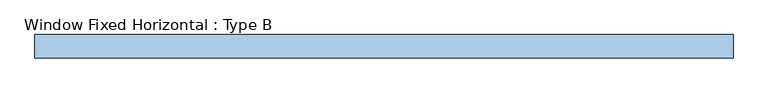
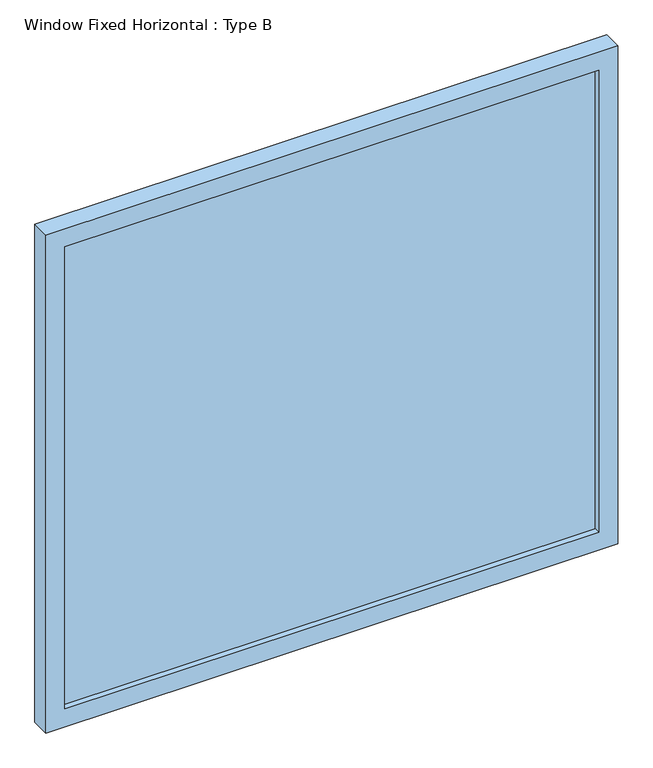
"""IFC4 building model written with IfcOpenShell, lengths in millimetres: window geometry, Window Fixed Horizontal : Type B."""

from ifc_helpers import new_model, si_unit, frame, origin, place, context, project, spatial, polyline, outline, extrude, source, transform, mapped, element, save


def window_fixed_horizontal_type_b_e0480839(model_context):
    return source(origin(), model_context, "Body", "SweptSolid", [
        extrude(outline(polyline([(711.2, 15.875), (-711.2, 15.875), (-711.2, 34.925), (711.2, 34.925), (711.2, 15.875)])), frame((0.0, 0.0, 882.65), z_axis=(0.0, 0.0, 1.0), x_axis=(1.0, 0.0, 0.0)), (0.0, 0.0, 1.0), 1301.75),
        extrude(outline(polyline([(2235.2, 762.0), (2235.2, -762.0), (831.85, -762.0), (831.85, 762.0), (2235.2, 762.0)]), holes=[polyline([(2184.4, -711.2), (2184.4, 711.2), (882.65, 711.2), (882.65, -711.2), (2184.4, -711.2)])]), frame((0.0, 0.0, 0.0), z_axis=(0.0, 1.0, 0.0), x_axis=(0.0, 0.0, 1.0)), (0.0, 0.0, 1.0), 50.8),
    ])


if __name__ == "__main__":
    model = new_model("IFC4")
    model_context = context("Model", 3, world=origin())
    ifc_project = project(units=[si_unit("LENGTHUNIT", "METRE", prefix="MILLI")], contexts=[model_context])
    site = spatial("IfcSite", under=ifc_project)
    building = spatial("IfcBuilding", under=site)
    placement = place(None, origin())
    window_fixed_horizontal_type_b_shape = window_fixed_horizontal_type_b_e0480839(model_context)
    element("IfcWindow", 1, ObjectType="Window Fixed Horizontal : Type B", at=placement, inside=building, context=model_context, shape_type="MappedRepresentation", body=[
        mapped(window_fixed_horizontal_type_b_shape, transform((0.0, 0.0, 0.0), x_axis=(1.0, 0.0, 0.0), y_axis=(0.0, 1.0, 0.0), z_axis=(0.0, 0.0, 1.0))),
    ])
    save(model, "model.ifc")
